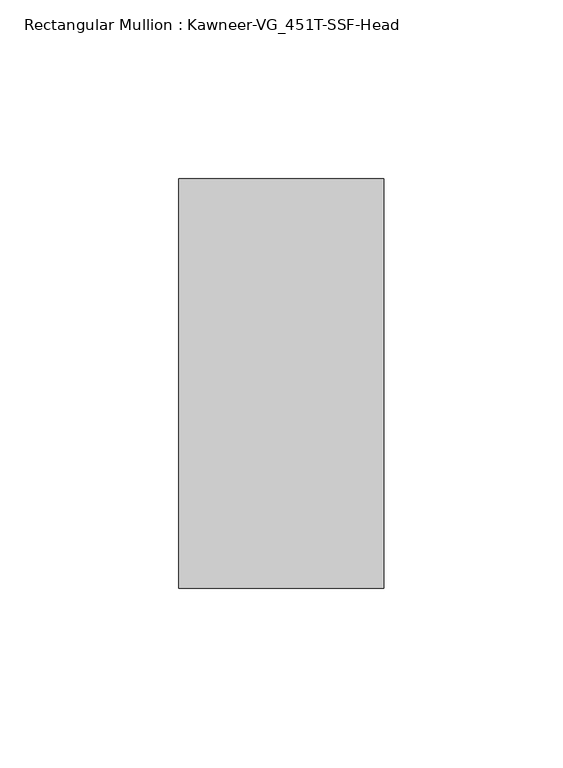
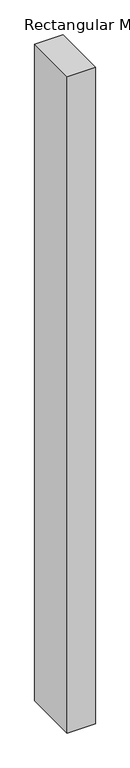
"""IFC4 building model written with IfcOpenShell, lengths in millimetres: member geometry, Rectangular Mullion : Kawneer-VG_451T-SSF-Head."""

from ifc_helpers import new_model, si_unit, frame, origin, place, context, project, spatial, polyline, outline, extrude, source, transform, mapped, element, save


def rectangular_mullion_kawneer_vg_451t_ssf_head_66d3cd5d(model_context):
    return source(origin(), model_context, "Body", "SweptSolid", [
        extrude(outline(polyline([(-57.15, -57.15), (-57.15, 57.15), (0.0, 57.15), (0.0, -57.15), (-57.15, -57.15)])), frame((0.0, 0.0, -1409.7), z_axis=(0.0, 0.0, 1.0), x_axis=(1.0, 0.0, 0.0)), (0.0, 0.0, 1.0), 1409.7),
    ])


if __name__ == "__main__":
    model = new_model("IFC4")
    model_context = context("Model", 3, world=origin())
    ifc_project = project(units=[si_unit("LENGTHUNIT", "METRE", prefix="MILLI")], contexts=[model_context])
    site = spatial("IfcSite", under=ifc_project)
    building = spatial("IfcBuilding", under=site)
    placement = place(None, origin())
    rectangular_mullion_kawneer_vg_451t_ssf_head_shape = rectangular_mullion_kawneer_vg_451t_ssf_head_66d3cd5d(model_context)
    element("IfcMember", 1, ObjectType="Rectangular Mullion : Kawneer-VG_451T-SSF-Head", at=placement, inside=building, context=model_context, shape_type="MappedRepresentation", body=[
        mapped(rectangular_mullion_kawneer_vg_451t_ssf_head_shape, transform((0.0, 0.0, 0.0), x_axis=(1.0, 0.0, 0.0), y_axis=(0.0, 1.0, 0.0), z_axis=(0.0, 0.0, 1.0))),
    ])
    save(model, "model.ifc")
